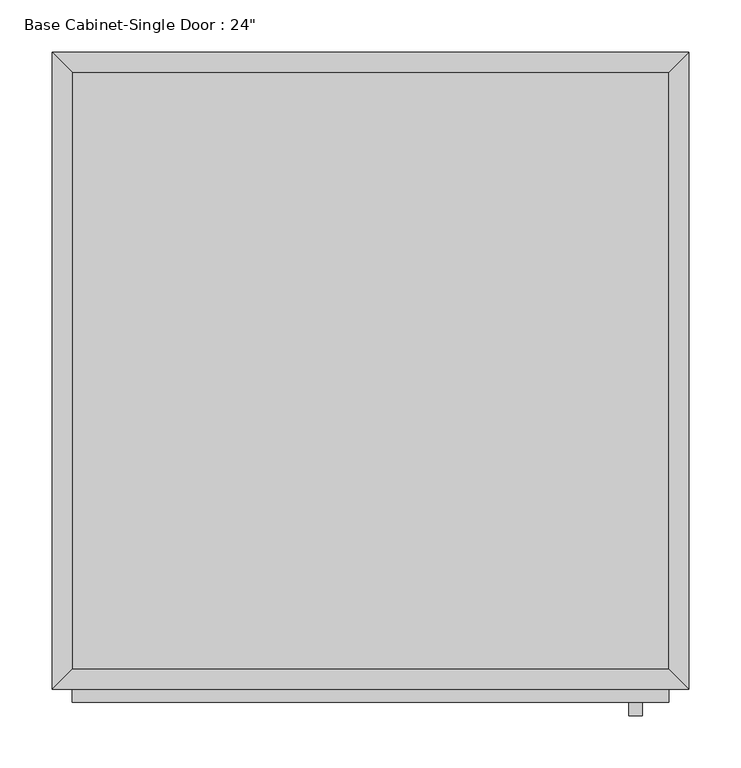
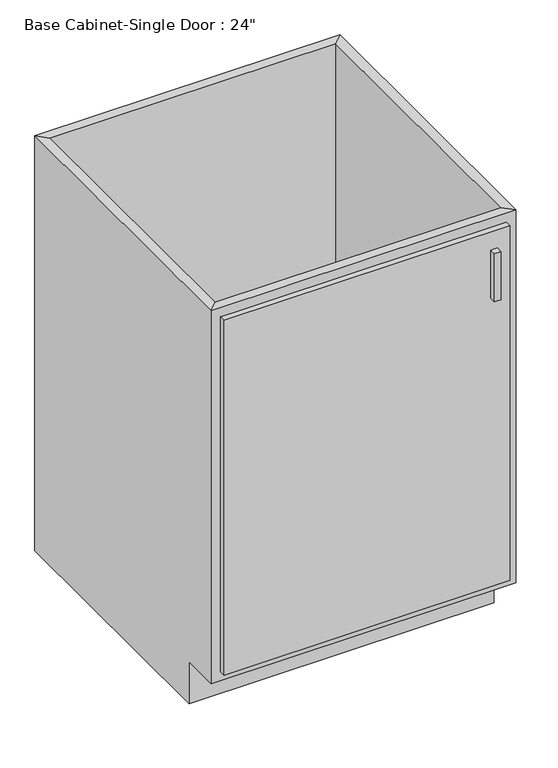
"""IFC4 building model written with IfcOpenShell, lengths in millimetres: furniture geometry."""

from ifc_helpers import new_model, si_unit, frame, origin, place, context, project, spatial, polyline, outline, extrude, faceted_brep, source, transform, mapped, element, save


def furniture_211f9b71(model_context):
    return source(origin(), model_context, "Body", "SolidModel", [
        faceted_brep([(304.4877049, -590.55, 876.3), (304.4877049, -590.55, 88.9), (-267.0122951, -590.55, 88.9), (-267.0122951, -590.55, 876.3), (-286.0622951, -609.6, 876.3), (323.5377049, -609.6, 876.3), (-286.0622951, -609.6, 88.9), (323.5377049, -609.6, 88.9), (-267.0122951, -533.4, 88.9), (-267.0122951, -19.05, 88.9), (-267.0122951, -19.05, 876.3), (-286.0622951, 0.0, 876.3), (-286.0622951, 0.0, 0.0), (-286.0622951, -533.4, 0.0), (-286.0622951, -533.4, 88.9), (304.4877049, -19.05, 88.9), (304.4877049, -19.05, 876.3), (323.5377049, 0.0, 876.3), (323.5377049, 0.0, 0.0), (304.4877049, -533.4, 88.9), (323.5377049, -533.4, 88.9), (323.5377049, -533.4, 0.0)], [[[0, 1, 2, 3]], [[0, 3, 4, 5]], [[5, 4, 6, 7]], [[2, 1, 7, 6]], [[3, 2, 8, 9, 10]], [[4, 3, 10, 11]], [[6, 4, 11, 12, 13, 14]], [[2, 6, 14, 8]], [[10, 9, 15, 16]], [[11, 10, 16, 17]], [[12, 11, 17, 18]], [[1, 0, 16, 15, 19]], [[0, 5, 17, 16]], [[5, 7, 20, 21, 18, 17]], [[7, 1, 19, 20]], [[8, 19, 15, 9]], [[18, 21, 13, 12]], [[13, 21, 20, 19, 8, 14]]]),
        extrude(outline(polyline([(304.4877049, -19.05), (304.4877049, -590.55), (-267.0122951, -590.55), (-267.0122951, -19.05), (304.4877049, -19.05)])), frame((0.0, 0.0, 88.9), z_axis=(0.0, 0.0, 1.0), x_axis=(1.0, 0.0, 0.0)), (0.0, 0.0, 1.0), 19.05),
        extrude(outline(polyline([(279.0877049, -635.0), (266.3877049, -635.0), (266.3877049, -622.3), (279.0877049, -622.3), (279.0877049, -635.0)])), frame((0.0, 0.0, 717.55), z_axis=(0.0, 0.0, 1.0), x_axis=(1.0, 0.0, 0.0)), (0.0, 0.0, 1.0), 101.6),
        extrude(outline(polyline([(304.4877049, -622.3), (-267.0122951, -622.3), (-267.0122951, -609.6), (304.4877049, -609.6), (304.4877049, -622.3)])), frame((0.0, 0.0, 107.95), z_axis=(0.0, 0.0, 1.0), x_axis=(1.0, 0.0, 0.0)), (0.0, 0.0, 1.0), 749.3),
    ])


if __name__ == "__main__":
    model = new_model("IFC4")
    model_context = context("Model", 3, world=origin())
    ifc_project = project(units=[si_unit("LENGTHUNIT", "METRE", prefix="MILLI")], contexts=[model_context])
    site = spatial("IfcSite", under=ifc_project)
    building = spatial("IfcBuilding", under=site)
    placement = place(None, origin())
    furniture_shape = furniture_211f9b71(model_context)
    element("IfcFurniture", 1, ObjectType="Base Cabinet-Single Door : 24\"", at=placement, inside=building, context=model_context, shape_type="MappedRepresentation", body=[
        mapped(furniture_shape, transform((0.0, 0.0, 0.0), x_axis=(1.0, 0.0, 0.0), y_axis=(0.0, 1.0, 0.0), z_axis=(0.0, 0.0, 1.0))),
    ])
    save(model, "model.ifc")
